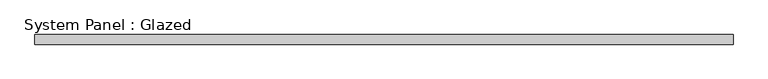
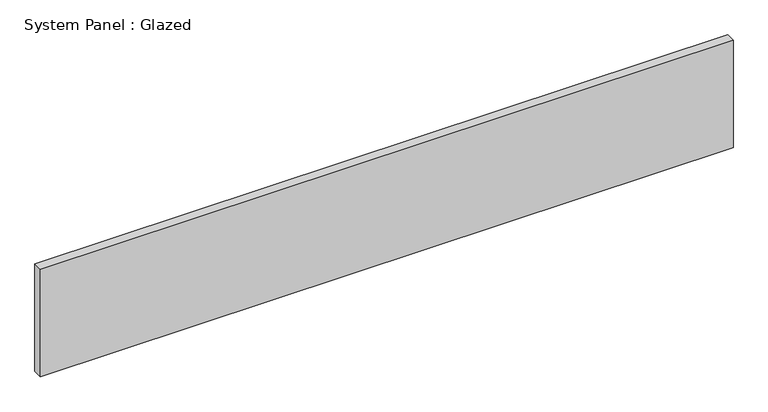
"""IFC4 building model written with IfcOpenShell, lengths in millimetres: plate geometry, System Panel : Glazed."""

from ifc_helpers import new_model, si_unit, origin, origin_with_axes, place, context, project, spatial, polyline, outline, extrude, source, transform, mapped, element, save


def system_panel_glazed_dfcab827(model_context):
    return source(origin(), model_context, "Body", "SweptSolid", [
        extrude(outline(polyline([(905.0, 24.5), (-905.0, 24.5), (-905.0, 49.5), (905.0, 49.5), (905.0, 24.5)])), origin_with_axes(), (0.0, 0.0, 1.0), 297.1692572),
    ])


if __name__ == "__main__":
    model = new_model("IFC4")
    model_context = context("Model", 3, world=origin())
    ifc_project = project(units=[si_unit("LENGTHUNIT", "METRE", prefix="MILLI")], contexts=[model_context])
    site = spatial("IfcSite", under=ifc_project)
    building = spatial("IfcBuilding", under=site)
    placement = place(None, origin())
    system_panel_glazed_shape = system_panel_glazed_dfcab827(model_context)
    element("IfcPlate", 1, ObjectType="System Panel : Glazed", at=placement, inside=building, context=model_context, shape_type="MappedRepresentation", body=[
        mapped(system_panel_glazed_shape, transform((0.0, 0.0, 0.0), x_axis=(1.0, 0.0, 0.0), y_axis=(0.0, 1.0, 0.0), z_axis=(0.0, 0.0, 1.0))),
    ])
    save(model, "model.ifc")
